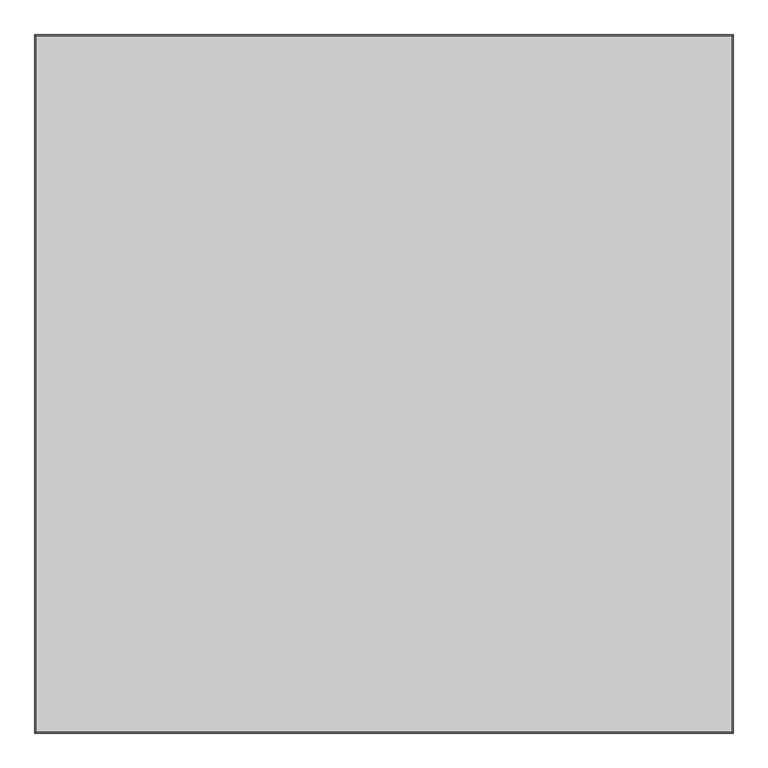
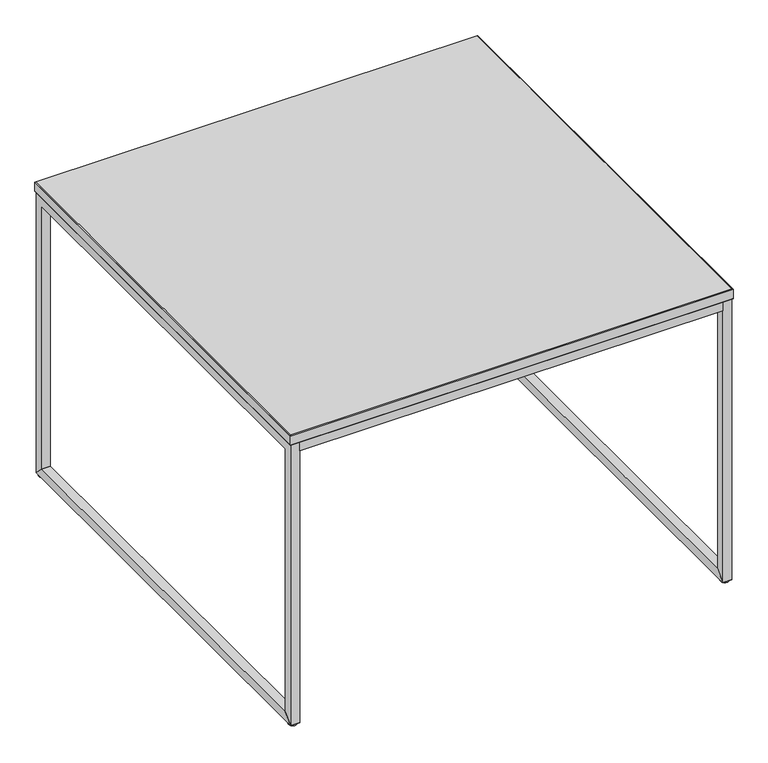
"""IFC4 building model written with IfcOpenShell, lengths in millimetres: furniture geometry."""

from ifc_helpers import new_model, si_unit, point, frame, frame_2d, origin, origin_with_axes, place, context, project, spatial, polyline, circle_curve, trimmed, segment, composite_curve, outline, extrude, faceted_brep, source, transform, mapped, element, save


def furniture_51ed9437(model_context):
    return source(origin(), model_context, "Body", "SolidModel", [
        extrude(outline(composite_curve([segment(trimmed(circle_curve(frame_2d((989.80625, -492.1861908)), 9.525), [point((980.28125, -492.1861908))], [point((999.33125, -492.1861908))], False, "CARTESIAN"), True, "CONTINUOUS"), segment(trimmed(circle_curve(frame_2d((989.80625, -492.1861908)), 9.525), [point((999.33125, -492.1861908))], [point((980.28125, -492.1861908))], False, "CARTESIAN"), True, "CONTINUOUS")], self_intersect=False)), origin_with_axes(), (0.0, 0.0, 1.0), 3.175),
        extrude(outline(composite_curve([segment(trimmed(circle_curve(frame_2d((989.80625, 484.1263092)), 9.525), [point((980.28125, 484.1263092))], [point((999.33125, 484.1263092))], False, "CARTESIAN"), True, "CONTINUOUS"), segment(trimmed(circle_curve(frame_2d((989.80625, 484.1263092)), 9.525), [point((999.33125, 484.1263092))], [point((980.28125, 484.1263092))], False, "CARTESIAN"), True, "CONTINUOUS")], self_intersect=False)), origin_with_axes(), (0.0, 0.0, 1.0), 3.175),
        extrude(outline(composite_curve([segment(trimmed(circle_curve(frame_2d((13.49375, 484.1263092)), 9.525), [point((3.96875, 484.1263092))], [point((23.01875, 484.1263092))], False, "CARTESIAN"), True, "CONTINUOUS"), segment(trimmed(circle_curve(frame_2d((13.49375, 484.1263092)), 9.525), [point((23.01875, 484.1263092))], [point((3.96875, 484.1263092))], False, "CARTESIAN"), True, "CONTINUOUS")], self_intersect=False)), origin_with_axes(), (0.0, 0.0, 1.0), 3.175),
        extrude(outline(composite_curve([segment(trimmed(circle_curve(frame_2d((13.49375, -492.1861908)), 9.525), [point((3.96875, -492.1861908))], [point((23.01875, -492.1861908))], False, "CARTESIAN"), True, "CONTINUOUS"), segment(trimmed(circle_curve(frame_2d((13.49375, -492.1861908)), 9.525), [point((23.01875, -492.1861908))], [point((3.96875, -492.1861908))], False, "CARTESIAN"), True, "CONTINUOUS")], self_intersect=False)), origin_with_axes(), (0.0, 0.0, 1.0), 3.175),
        extrude(outline(polyline([(979.4875, -481.8674408), (979.4875, -502.5049408), (23.8125, -502.5049408), (23.8125, -481.8674408), (979.4875, -481.8674408)])), frame((0.0, 0.0, 652.4625), z_axis=(0.0, 0.0, 1.0), x_axis=(1.0, 0.0, 0.0)), (0.0, 0.0, 1.0), 20.6375),
        extrude(outline(polyline([(979.4875, 494.4450592), (979.4875, 473.8075592), (23.8125, 473.8075592), (23.8125, 494.4450592), (979.4875, 494.4450592)])), frame((0.0, 0.0, 652.4625), z_axis=(0.0, 0.0, 1.0), x_axis=(1.0, 0.0, 0.0)), (0.0, 0.0, 1.0), 20.6375),
        faceted_brep([(1001.7125, 496.0325592, 674.6875), (1.5875, 496.0325592, 674.6875), (1.5875, -504.0924408, 674.6875), (1001.7125, -504.0924408, 674.6875), (1000.125, 494.4450592, 673.1), (1000.125, -502.5049408, 673.1), (3.175, -502.5049408, 673.1), (3.175, 494.4450592, 673.1)], [[[0, 1, 2, 3]], [[4, 5, 6, 7]], [[4, 7, 1, 0]], [[7, 6, 2, 1]], [[6, 5, 3, 2]], [[5, 4, 0, 3]]]),
        faceted_brep([(1000.125, 494.4450592, 698.5), (3.175, 494.4450592, 698.5), (3.175, -502.5049408, 698.5), (1000.125, -502.5049408, 698.5), (1001.7125, 496.0325592, 696.9125), (1001.7125, -504.0924408, 696.9125), (1.5875, -504.0924408, 696.9125), (1.5875, 496.0325592, 696.9125)], [[[0, 1, 2, 3]], [[4, 5, 6, 7]], [[4, 7, 1, 0]], [[7, 6, 2, 1]], [[6, 5, 3, 2]], [[5, 4, 0, 3]]]),
        extrude(outline(polyline([(-502.5049408, 3.175), (-481.8674408, 23.8125), (473.8075592, 23.8125), (494.4450592, 3.175), (-502.5049408, 3.175)])), frame((979.4875, 0.0, 0.0), z_axis=(1.0, 0.0, 0.0), x_axis=(0.0, 1.0, 0.0)), (0.0, 0.0, 1.0), 20.6375),
        extrude(outline(polyline([(-481.8674408, 652.4625), (-481.8674408, 23.8125), (-502.5049408, 3.175), (-502.5049408, 673.1), (494.4450592, 673.1), (494.4450592, 3.175), (473.8075592, 23.8125), (473.8075592, 652.4625), (-481.8674408, 652.4625)])), frame((979.4875, 0.0, 0.0), z_axis=(1.0, 0.0, 0.0), x_axis=(0.0, 1.0, 0.0)), (0.0, 0.0, 1.0), 20.6375),
        extrude(outline(polyline([(-502.5049408, 3.175), (-481.8674408, 23.8125), (473.8075592, 23.8125), (494.4450592, 3.175), (-502.5049408, 3.175)])), frame((3.175, 0.0, 0.0), z_axis=(1.0, 0.0, 0.0), x_axis=(0.0, 1.0, 0.0)), (0.0, 0.0, 1.0), 20.6375),
        extrude(outline(polyline([(-481.8674408, 652.4625), (-481.8674408, 23.8125), (-502.5049408, 3.175), (-502.5049408, 673.1), (494.4450592, 673.1), (494.4450592, 3.175), (473.8075592, 23.8125), (473.8075592, 652.4625), (-481.8674408, 652.4625)])), frame((3.175, 0.0, 0.0), z_axis=(1.0, 0.0, 0.0), x_axis=(0.0, 1.0, 0.0)), (0.0, 0.0, 1.0), 20.6375),
        extrude(outline(polyline([(1001.7125, 496.0325592), (1001.7125, -504.0924408), (1.5875, -504.0924408), (1.5875, 496.0325592), (1001.7125, 496.0325592)])), frame((0.0, 0.0, 674.6875), z_axis=(0.0, 0.0, 1.0), x_axis=(1.0, 0.0, 0.0)), (0.0, 0.0, 1.0), 22.225),
    ])


if __name__ == "__main__":
    model = new_model("IFC4")
    model_context = context("Model", 3, world=origin())
    ifc_project = project(units=[si_unit("LENGTHUNIT", "METRE", prefix="MILLI")], contexts=[model_context])
    site = spatial("IfcSite", under=ifc_project)
    building = spatial("IfcBuilding", under=site)
    placement = place(None, origin())
    furniture_shape = furniture_51ed9437(model_context)
    element("IfcFurniture", 1, at=placement, inside=building, context=model_context, shape_type="MappedRepresentation", body=[
        mapped(furniture_shape, transform((0.0, 0.0, 0.0), x_axis=(1.0, 0.0, 0.0), y_axis=(0.0, 1.0, 0.0), z_axis=(0.0, 0.0, 1.0))),
    ])
    save(model, "model.ifc")
